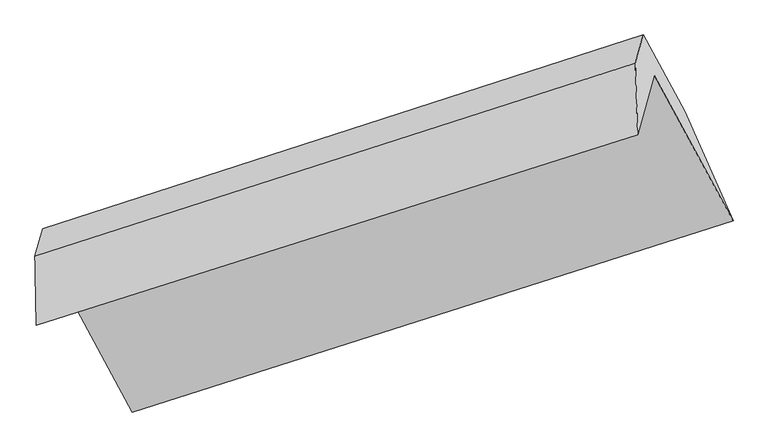
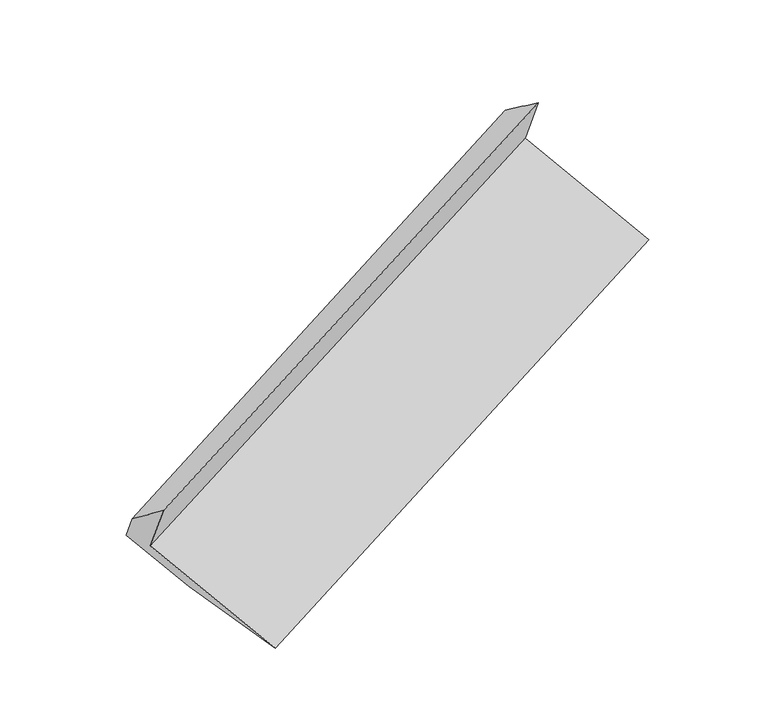
"""IFC4 building model written with IfcOpenShell, lengths in millimetres: proxy geometry."""

import ifcopenshell
import ifcopenshell.guid

model = None  # the IFC model being written
_history = None  # IfcOwnerHistory: only IFC2X3 demands one
_inside = {}  # id of a spatial element -> (the spatial element, [elements in it])
_under = {}  # id of a project, library or spatial element -> (it, [spatial elements below it])
_declared = {}  # id of a project -> (the project, [libraries it declares])
_typed = {}  # id of a type object -> (the type object, [elements of that type])
_made_of = {}  # id of a material, layer set ... -> (it, [elements and type objects made of it])


def new_model(schema):
    """Start an empty IFC model of exactly this schema.

    Asked for "IFC4X3", IfcOpenShell would pick the latest addendum, in which some entities
    have other attributes; the version numbers below select the first issue.
    IFC2X3 requires an IfcOwnerHistory on every rooted entity: one is made here for all.
    """
    global model, _history
    if schema == "IFC4X3":
        model = ifcopenshell.file(schema_version=(4, 3, 0, 0))
    else:
        model = ifcopenshell.file(schema=schema)
    _inside.clear()
    _under.clear()
    _declared.clear()
    _typed.clear()
    _made_of.clear()
    _history = None
    if model.schema == "IFC2X3":
        org = make("IfcOrganization", Name="unknown")
        user = make(
            "IfcPersonAndOrganization",
            ThePerson=make("IfcPerson", FamilyName="unknown"),
            TheOrganization=org,
        )
        app = make(
            "IfcApplication",
            ApplicationDeveloper=org,
            Version="unknown",
            ApplicationFullName="unknown",
            ApplicationIdentifier="unknown",
        )
        _history = make(
            "IfcOwnerHistory",
            OwningUser=user,
            OwningApplication=app,
            ChangeAction="ADDED",
            CreationDate=0,
        )
    return model


def make(cls, **values):
    """One entity of the class cls with the attributes given. An attribute that is None is left unset."""
    return model.create_entity(
        cls, **{name: value for name, value in values.items() if value is not None}
    )


def rooted(cls, **values):
    """An entity with a GlobalId (a new one), such as an element, a storey or a relation."""
    return make(cls, GlobalId=ifcopenshell.guid.new(), OwnerHistory=_history, **values)


def si_unit(unit_type, name, prefix=None):
    """IfcSIUnit, for example si_unit("LENGTHUNIT", "METRE", prefix="MILLI")."""
    return make("IfcSIUnit", UnitType=unit_type, Prefix=prefix, Name=name)


def assignment(units):
    """IfcUnitAssignment: the units of a project."""
    return None if units is None else make("IfcUnitAssignment", Units=units)


def point(xyz):
    """IfcCartesianPoint."""
    return None if xyz is None else make("IfcCartesianPoint", Coordinates=xyz)


def direction(xyz):
    """IfcDirection."""
    return None if xyz is None else make("IfcDirection", DirectionRatios=xyz)


def frame(location, z_axis=None, x_axis=None):
    """IfcAxis2Placement3D, a coordinate frame: its origin and axes. An axis left out is left unset."""
    return make(
        "IfcAxis2Placement3D",
        Location=point(location),
        Axis=direction(z_axis),
        RefDirection=direction(x_axis),
    )


def origin():
    """The frame at (0, 0, 0) with its axes left unset."""
    return frame((0.0, 0.0, 0.0))


def place(relative_to, where):
    """IfcLocalPlacement: puts the frame where relative to a parent placement (None: the world)."""
    return make(
        "IfcLocalPlacement", PlacementRelTo=relative_to, RelativePlacement=where
    )


def context(
    kind, dimensions, precision=None, world=None, true_north=None, identifier=None
):
    """IfcGeometricRepresentationContext, for example the 3D "Model" context."""
    return make(
        "IfcGeometricRepresentationContext",
        ContextIdentifier=identifier,
        ContextType=kind,
        CoordinateSpaceDimension=dimensions,
        Precision=precision,
        WorldCoordinateSystem=world,
        TrueNorth=true_north,
    )


def project(units=None, contexts=None):
    """IfcProject with its units and contexts."""
    return rooted(
        "IfcProject",
        Name="project",
        RepresentationContexts=contexts,
        UnitsInContext=assignment(units),
    )


def spatial(cls, under=None, at=None, **own):
    """A site, building, storey or space (cls), placed at a placement, below another one or the project."""
    s = rooted(cls, ObjectPlacement=at, **own)
    if under is not None:
        _under.setdefault(under.id(), (under, []))[1].append(s)
    return s


def shape(context_of_items, identifier, shape_type, items):
    """IfcShapeRepresentation: the items that make up one representation, for example the "Body"."""
    return make(
        "IfcShapeRepresentation",
        ContextOfItems=context_of_items,
        RepresentationIdentifier=identifier,
        RepresentationType=shape_type,
        Items=items,
    )


def source(mapping_origin, context_of_items, identifier, shape_type, items):
    """IfcRepresentationMap: a shape defined once, which mapped items show again and again."""
    return make(
        "IfcRepresentationMap",
        MappingOrigin=mapping_origin,
        MappedRepresentation=shape(context_of_items, identifier, shape_type, items),
    )


def transform(
    local_origin,
    x_axis=None,
    y_axis=None,
    z_axis=None,
    scale=None,
    scale2=None,
    scale3=None,
    uniform=True,
):
    """IfcCartesianTransformationOperator3D, or its non-uniform kind. x_axis, y_axis, z_axis: its Axis1, 2, 3."""
    if uniform:
        return make(
            "IfcCartesianTransformationOperator3D",
            Axis1=direction(x_axis),
            Axis2=direction(y_axis),
            LocalOrigin=point(local_origin),
            Scale=scale,
            Axis3=direction(z_axis),
        )
    return make(
        "IfcCartesianTransformationOperator3DnonUniform",
        Axis1=direction(x_axis),
        Axis2=direction(y_axis),
        LocalOrigin=point(local_origin),
        Scale=scale,
        Axis3=direction(z_axis),
        Scale2=scale2,
        Scale3=scale3,
    )


def mapped(mapping_source, mapping_target):
    """IfcMappedItem: shows the shape of a source again, moved by a transform."""
    return make(
        "IfcMappedItem", MappingSource=mapping_source, MappingTarget=mapping_target
    )


def made_of(thing, what):
    """Note that an element or type object is made of a material, layer set ...; save() writes the relation."""
    if what is not None:
        _made_of.setdefault(what.id(), (what, []))[1].append(thing)
    return thing


def element(
    cls,
    number,
    at=None,
    inside=None,
    cuts=None,
    type_object=None,
    material=None,
    context=None,
    identifier="Body",
    shape_type=None,
    held_by="IfcProductDefinitionShape",
    body=None,
    shapes=None,
    **own,
):
    """One element of the class cls, such as IfcWall. Its Tag is "e" and its number.

    at: its placement. inside: the storey or other place that contains it. cuts: it is an
    opening in that element (IfcRelVoidsElement). A single representation is given by context,
    identifier, shape_type and body (its items); several are given by shapes. held_by: the class
    of the entity that holds the representations. save() writes the other relations.
    """
    e = rooted(cls, Tag="e%d" % number, ObjectPlacement=at, **own)
    if body is not None:
        shapes = [shape(context, identifier, shape_type, body)]
    if shapes is not None:
        e.Representation = make(held_by, Representations=shapes)
    if inside is not None:
        _inside.setdefault(inside.id(), (inside, []))[1].append(e)
    if cuts is not None:
        rooted(
            "IfcRelVoidsElement", RelatingBuildingElement=cuts, RelatedOpeningElement=e
        )
    if type_object is not None:
        _typed.setdefault(type_object.id(), (type_object, []))[1].append(e)
    return made_of(e, material)


def aggregate(whole, parts):
    """IfcRelAggregates: a whole, such as a stair, and the parts it consists of."""
    return rooted("IfcRelAggregates", RelatingObject=whole, RelatedObjects=parts)


def save(model, path):
    """Write the relations noted so far, then the file.

    IfcRelAggregates (storeys below a building ...), IfcRelContainedInSpatialStructure (elements
    in a storey), IfcRelDefinesByType, IfcRelAssociatesMaterial and IfcRelDeclares: one each for
    every whole, place, type object, material and project.
    """
    for whole, parts in _under.values():
        aggregate(whole, parts)
    for where, things in _inside.values():
        rooted(
            "IfcRelContainedInSpatialStructure",
            RelatedElements=things,
            RelatingStructure=where,
        )
    for kind, things in _typed.values():
        rooted("IfcRelDefinesByType", RelatedObjects=things, RelatingType=kind)
    for what, things in _made_of.values():
        rooted("IfcRelAssociatesMaterial", RelatedObjects=things, RelatingMaterial=what)
    for by, libraries in _declared.values():
        rooted("IfcRelDeclares", RelatingContext=by, RelatedDefinitions=libraries)
    model.write(path)


def plane_surface(at):
    """IfcPlane: the flat surface through the origin of the frame at, square to its z axis."""
    return make("IfcPlane", Position=at)


def spline_surface(u_degree, v_degree, points, u_multiplicities, v_multiplicities, u_knots, v_knots, weights=None):
    """IfcBSplineSurfaceWithKnots; with weights, IfcRationalBSplineSurfaceWithKnots. points: one row for each step in u."""
    own = dict(
        UDegree=u_degree,
        VDegree=v_degree,
        ControlPointsList=[[point(p) for p in row] for row in points],
        SurfaceForm="UNSPECIFIED",
        UClosed=False,
        VClosed=False,
        SelfIntersect=False,
        UMultiplicities=u_multiplicities,
        VMultiplicities=v_multiplicities,
        UKnots=u_knots,
        VKnots=v_knots,
        KnotSpec="UNSPECIFIED",
    )
    if weights is None:
        return make("IfcBSplineSurfaceWithKnots", **own)
    return make("IfcRationalBSplineSurfaceWithKnots", WeightsData=weights, **own)


def advanced_brep(points, edges, surfaces, faces):
    """IfcAdvancedBrep: a solid bounded by faces that lie on surfaces and meet in shared edges.

    An edge is (start, end): straight between two places in points (the first is 0);
    or (start, end, curve); or (start, end, curve, False) where it runs against its curve.
    A face is (place in surfaces, loops), or (place, loops, False) where it looks against
    its surface's normal. A loop lists edges by number (the first is 1), with a minus sign
    where the edge is run from its end to its start. The first loop is the outer one.
    """
    corners = [point(p) for p in points]
    vertices = [make("IfcVertexPoint", VertexGeometry=c) for c in corners]
    made = []
    for start, end, *more in edges:
        made.append(
            make(
                "IfcEdgeCurve",
                EdgeStart=vertices[start],
                EdgeEnd=vertices[end],
                EdgeGeometry=more[0] if more else make("IfcPolyline", Points=[corners[start], corners[end]]),
                SameSense=more[1] if len(more) > 1 else True,
            )
        )
    hull = []
    for where, loops, *sense in faces:
        bounds = []
        for j, loop in enumerate(loops):
            ring = [make("IfcOrientedEdge", EdgeElement=made[abs(k) - 1], Orientation=k > 0) for k in loop]
            bounds.append(
                make(
                    "IfcFaceOuterBound" if j == 0 else "IfcFaceBound",
                    Bound=make("IfcEdgeLoop", EdgeList=ring),
                    Orientation=True,
                )
            )
        hull.append(make("IfcAdvancedFace", Bounds=bounds, FaceSurface=surfaces[where], SameSense=sense[0] if sense else True))
    return make("IfcAdvancedBrep", Outer=make("IfcClosedShell", CfsFaces=hull))


def generic_models_fc4b8c78(model_context):
    return source(origin(), model_context, "Body", "AdvancedBrep", [
        advanced_brep(
        [(-5230.6609891, -2391.4968234, 1723.6667162), (-5109.4528027, -1961.6971219, 1063.8705526), (-763.4552203, -587.6277579, 2793.5660462), (-884.6634068, -1017.4274594, 3453.3622098), (-5240.4307274, -1894.2714571, 1340.4253453), (-901.4813496, -498.9860642, 3070.5713139), (-5184.283884, -1695.176848, 1034.7902812), (-843.8131514, -294.4967875, 2756.6547621), (-4897.7533614, -2224.1775445, 742.8296621), (-544.4282895, -847.229526, 2451.5961986), (-4536.7603913, -3019.0179326, 480.3249343), (-195.0475887, -1637.0378879, 2214.3864093)],
        [
            (0, 1),
            (1, 2),
            (2, 3),
            (3, 0),
            (4, 0),
            (3, 5),
            (5, 4),
            (6, 4),
            (5, 7),
            (7, 6),
            (8, 6),
            (7, 9),
            (9, 8),
            (10, 8),
            (9, 11),
            (11, 10),
            (1, 10),
            (11, 2),
        ],
        [
            plane_surface(frame((-5170.0568959, -2176.5969726, 1393.7686344), z_axis=(0.42482049345236267, -0.7922446502140872, -0.4380364854096629), x_axis=(0.15213548907203892, 0.5394667614257289, -0.8281487826964713))),
            spline_surface(1, 1, [[(-5240.4307274, -1894.2714571, 1340.4253453), (-901.4813496, -498.9860642, 3070.5713139)], [(-5230.6609891, -2391.4968234, 1723.6667162), (-884.6634068, -1017.4274594, 3453.3622098)]], [2, 2], [2, 2], [0.0, 1.0], [0.0, 1.0]),
            plane_surface(frame((-5212.3573057, -1794.7241525, 1187.6078132), z_axis=(-0.4284779738281116, 0.7910680667002556, 0.4365981445119484), x_axis=(-0.1521354890720609, -0.5394667614256847, 0.8281487826964962))),
            plane_surface(frame((-5041.0186227, -1959.6771963, 888.8099716), z_axis=(0.1539621178689701, 0.5400572504653074, -0.8274260284044451), x_axis=(-0.42847797382810654, 0.7910680667002602, 0.4365981445119449))),
            spline_surface(1, 1, [[(-4536.7603913, -3019.0179326, 480.3249343), (-195.0475887, -1637.0378879, 2214.3864093)], [(-4897.7533614, -2224.1775445, 742.8296621), (-544.4282895, -847.229526, 2451.5961986)]], [2, 2], [2, 2], [0.0, 1.0], [0.0, 1.0]),
            plane_surface(frame((-4823.106597, -2490.3575272, 772.0977435), z_axis=(-0.15761336290583117, -0.5412313893116334, 0.8259701030045301), x_axis=(0.428477973828106, -0.7910680667002569, -0.4365981445119516))),
            plane_surface(frame((-688.8148344, -813.8009138, 2790.0228233), z_axis=(0.890652243532213, 0.2884214401947285, 0.3514991521000217), x_axis=(-0.42847797382810654, 0.7910680667002602, 0.4365981445119449))),
            plane_surface(frame((-5033.2236926, -2197.6396212, 1064.3179153), z_axis=(-0.8906522435322165, -0.2884214401947212, -0.3514991521000189), x_axis=(-0.15213548907206115, -0.5394667614256863, 0.828148782696495))),
        ],
        [
            (0, [[1, 2, 3, 4]]),
            (1, [[5, -4, 6, 7]]),
            (2, [[8, -7, 9, 10]]),
            (3, [[11, -10, 12, 13]]),
            (4, [[14, -13, 15, 16]]),
            (5, [[17, -16, 18, -2]]),
            (6, [[-12, -9, -6, -3, -18, -15]]),
            (7, [[-1, -5, -8, -11, -14, -17]]),
        ],
    ),
    ])


if __name__ == "__main__":
    model = new_model("IFC4")
    model_context = context("Model", 3, world=origin())
    ifc_project = project(units=[si_unit("LENGTHUNIT", "METRE", prefix="MILLI")], contexts=[model_context])
    site = spatial("IfcSite", under=ifc_project)
    building = spatial("IfcBuilding", under=site)
    placement = place(None, origin())
    generic_models_shape = generic_models_fc4b8c78(model_context)
    element("IfcBuildingElementProxy", 1, Name="Generic Models", at=placement, inside=building, context=model_context, shape_type="MappedRepresentation", body=[
        mapped(generic_models_shape, transform((0.0, 0.0, 0.0), x_axis=(1.0, 0.0, 0.0), y_axis=(0.0, 1.0, 0.0), z_axis=(0.0, 0.0, 1.0))),
    ])
    save(model, "model.ifc")
